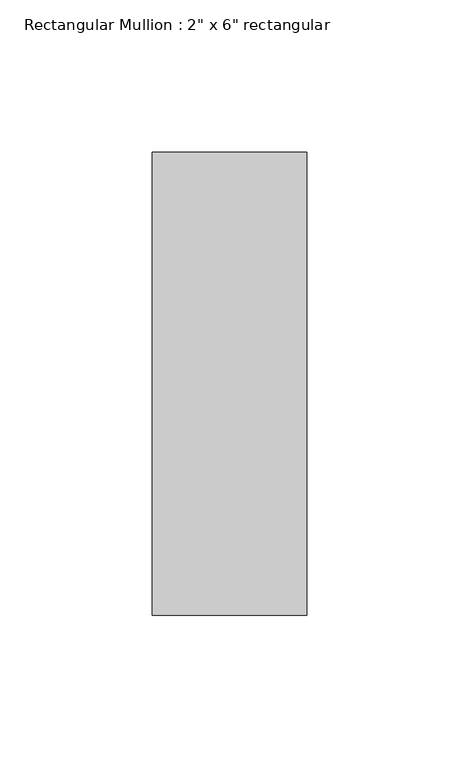
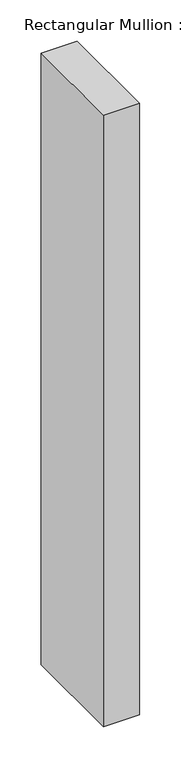
"""IFC4 building model written with IfcOpenShell, lengths in millimetres: member geometry."""

from ifc_helpers import new_model, si_unit, frame, origin, place, context, project, spatial, polyline, outline, extrude, source, transform, mapped, element, save


def member_ed64140c(model_context):
    return source(origin(), model_context, "Body", "SweptSolid", [
        extrude(outline(polyline([(25.4, 76.2), (25.4, -76.2), (-25.4, -76.2), (-25.4, 76.2), (25.4, 76.2)])), frame((0.0, 0.0, -908.2147001), z_axis=(0.0, 0.0, 1.0), x_axis=(1.0, 0.0, 0.0)), (0.0, 0.0, 1.0), 908.2147001),
    ])


if __name__ == "__main__":
    model = new_model("IFC4")
    model_context = context("Model", 3, world=origin())
    ifc_project = project(units=[si_unit("LENGTHUNIT", "METRE", prefix="MILLI")], contexts=[model_context])
    site = spatial("IfcSite", under=ifc_project)
    building = spatial("IfcBuilding", under=site)
    placement = place(None, origin())
    member_shape = member_ed64140c(model_context)
    element("IfcMember", 1, ObjectType="Rectangular Mullion : 2\" x 6\" rectangular", at=placement, inside=building, context=model_context, shape_type="MappedRepresentation", body=[
        mapped(member_shape, transform((0.0, 0.0, 0.0), x_axis=(1.0, 0.0, 0.0), y_axis=(0.0, 1.0, 0.0), z_axis=(0.0, 0.0, 1.0))),
    ])
    save(model, "model.ifc")
